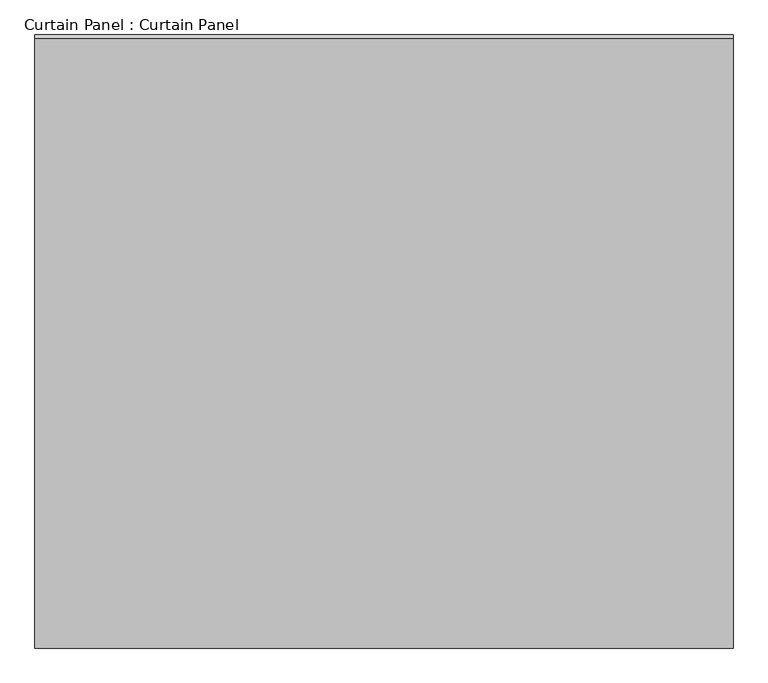
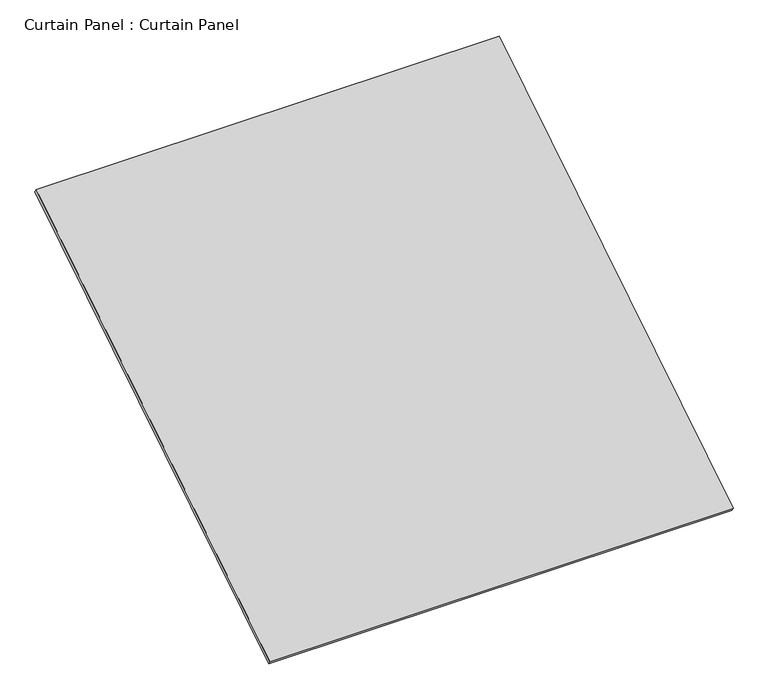
"""IFC4 building model written with IfcOpenShell, lengths in millimetres: plate geometry, Curtain Panel : Curtain Panel."""

from ifc_helpers import new_model, si_unit, frame, origin, place, context, project, spatial, polyline, outline, extrude, source, transform, mapped, element, save


def curtain_panel_curtain_panel_689b850b(model_context):
    return source(origin(), model_context, "Body", "SweptSolid", [
        extrude(outline(polyline([(-63.5, 0.0), (-63.5, -3013.075), (-2984.6077868, -3013.075), (-2984.6077868, 0.0), (-63.5, 0.0)])), frame((-114622.6430895, -1344.8078147, 8803.1977221), z_axis=(0.0, -0.5318918435658209, 0.8468122972348432), x_axis=(-1.0, 0.0, 0.0)), (0.0, 0.0, 1.0), 25.4),
    ])


if __name__ == "__main__":
    model = new_model("IFC4")
    model_context = context("Model", 3, world=origin())
    ifc_project = project(units=[si_unit("LENGTHUNIT", "METRE", prefix="MILLI")], contexts=[model_context])
    site = spatial("IfcSite", under=ifc_project)
    building = spatial("IfcBuilding", under=site)
    placement = place(None, origin())
    curtain_panel_curtain_panel_shape = curtain_panel_curtain_panel_689b850b(model_context)
    element("IfcPlate", 1, ObjectType="Curtain Panel : Curtain Panel", at=placement, inside=building, context=model_context, shape_type="MappedRepresentation", body=[
        mapped(curtain_panel_curtain_panel_shape, transform((0.0, 0.0, 0.0), x_axis=(1.0, 0.0, 0.0), y_axis=(0.0, 1.0, 0.0), z_axis=(0.0, 0.0, 1.0))),
    ])
    save(model, "model.ifc")
